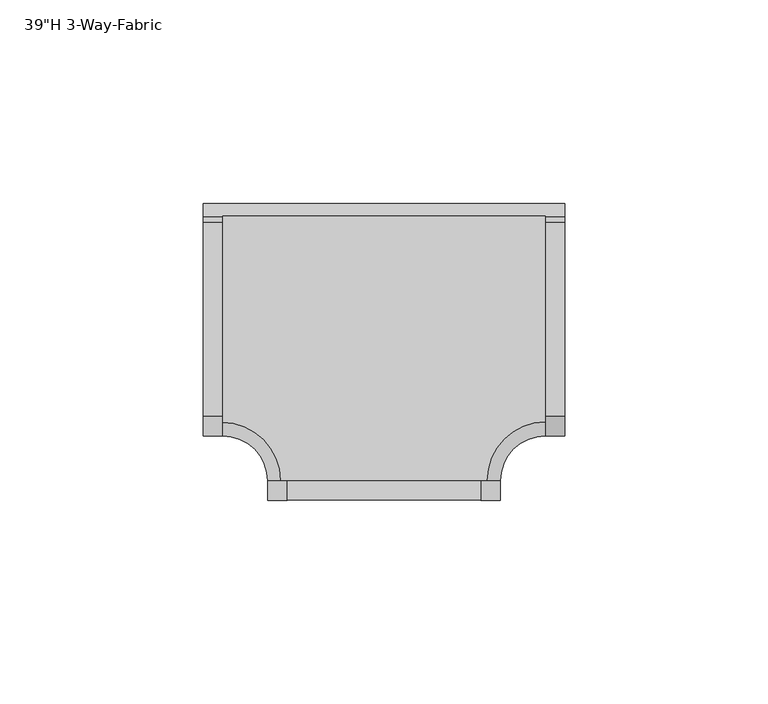
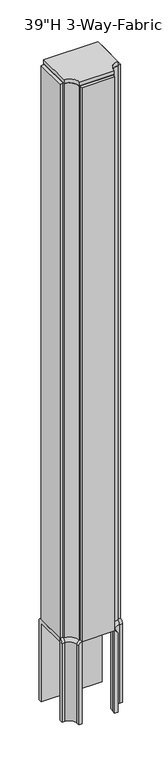
"""IFC4 building model written with IfcOpenShell, lengths in millimetres: furniture geometry."""

from ifc_helpers import new_model, si_unit, point, frame, frame_2d, origin, place, context, project, spatial, polyline, circle_curve, ellipse_curve, trimmed, segment, composite_curve, outline, extrude, source, transform, mapped, element, save
from ifc_brep_helpers import plane_surface, cylinder_surface, revolved_surface, advanced_brep


def furniture_effd0aac(model_context):
    return source(origin(), model_context, "Body", "SolidModel", [
        advanced_brep(
        [(-22.2243638, -20.4097896, 130.9967468), (-22.2243638, -20.4097896, 9.525), (-17.461863, -20.4097896, 9.525), (-17.461863, -20.4097896, 136.5249768), (-22.2243638, -15.6473865, 130.9967468), (-22.2243638, -15.6473865, 9.525), (-33.3369607, -4.5347896, 9.525), (-38.1, -4.5347896, 9.525), (-38.1, 0.2277111, 9.525), (-33.3369607, 0.2277111, 9.525), (-17.461863, -15.6473865, 9.525), (-17.461863, -15.6473865, 136.5249768), (-33.3369607, -4.5347896, 130.9967468), (-33.3369607, 0.2277111, 136.5249768), (-38.1, -4.5347896, 130.9967468), (-38.1, 0.2277111, 136.5249768)],
        [
            (0, 1),
            (1, 2),
            (2, 3),
            (3, 0, circle_curve(frame((-16.6345756, -20.4097896, 130.9967468), z_axis=(0.0, -1.0, 0.0), x_axis=(-1.0, 0.0, 0.0)), 5.5897882)),
            (0, 4),
            (4, 5),
            (5, 1),
            (5, 6, circle_curve(frame((-33.3369607, -15.6473865, 9.525), z_axis=(0.0, 0.0, 1.0), x_axis=(1.0, 0.0, 0.0)), 11.1125969)),
            (6, 7),
            (7, 8),
            (8, 9),
            (9, 10, circle_curve(frame((-33.3369607, -15.6473865, 9.525), z_axis=(0.0, 0.0, -1.0), x_axis=(1.0, 0.0, 0.0)), 15.8750977)),
            (10, 2),
            (10, 11),
            (11, 3),
            (11, 4, circle_curve(frame((-16.6345756, -15.6473865, 130.9967468), z_axis=(0.0, -1.0, 0.0), x_axis=(-1.0, 0.0, 0.0)), 5.5897882)),
            (4, 12, circle_curve(frame((-33.3369607, -15.6473865, 130.9967468), z_axis=(0.0, 0.0, 1.0), x_axis=(1.0, 0.0, 0.0)), 11.1125969)),
            (12, 6),
            (13, 11, circle_curve(frame((-33.3369607, -15.6473865, 136.5249768), z_axis=(0.0, 0.0, -1.0), x_axis=(1.0, 0.0, 0.0)), 15.8750977)),
            (9, 13),
            (13, 12, circle_curve(frame((-33.3369607, 1.0549985, 130.9967468), z_axis=(1.0, 0.0, 0.0), x_axis=(0.0, -1.0, 0.0)), 5.5897882)),
            (14, 15, circle_curve(frame((-38.1, 1.0549985, 130.9967468), z_axis=(-1.0, 0.0, 0.0), x_axis=(0.0, -1.0, 0.0)), 5.5897882)),
            (15, 8),
            (7, 14),
            (12, 14),
            (15, 13),
        ],
        [
            plane_surface(frame((-19.0499981, -20.4097896, 9.525), z_axis=(0.0, -1.0, 0.0), x_axis=(0.0, 0.0, 1.0))),
            plane_surface(frame((-22.2243638, -20.4097896, 130.9967468), z_axis=(-1.0, 0.0, 0.0), x_axis=(0.0, 1.0, 0.0))),
            plane_surface(frame((-22.2243638, -20.4097896, 9.525), z_axis=(0.0, 0.0, -1.0), x_axis=(0.0, 1.0, 0.0))),
            plane_surface(frame((-17.461863, -20.4097896, 9.525), z_axis=(1.0, 0.0, 0.0), x_axis=(0.0, 1.0, 0.0))),
            cylinder_surface(frame((-16.6345756, -20.4097896, 130.9967468), z_axis=(0.0, -1.0, 0.0), x_axis=(-1.0, 0.0, 0.0)), 5.5897882),
            revolved_surface(polyline([(-22.2243638, -15.6473865, 130.9967468), (-22.2243638, -15.6473865, 9.525)]), (-33.3369607, -15.6473865, 9.525), (0.0, 0.0, 1.0)),
            cylinder_surface(frame((-33.3369607, -15.6473865, 9.525), z_axis=(0.0, 0.0, 1.0), x_axis=(1.0, 0.0, 0.0)), 15.8750977),
            revolved_surface(trimmed(ellipse_curve(frame((-16.6345756, -15.6473865, 130.9967468), z_axis=(0.0, -1.0, 0.0), x_axis=(-1.0, 0.0, 0.0)), 5.5897882, 5.5897882), [point((-17.461863, -15.6473865, 136.5249768))], [point((-22.2243638, -15.6473865, 130.9967468))], True, "CARTESIAN"), (-33.3369607, -15.6473865, 9.525), (0.0, 0.0, 1.0)),
            plane_surface(frame((-38.1, -1.360424, 9.525), z_axis=(-1.0, 0.0, 0.0), x_axis=(0.0, 0.0, 1.0))),
            plane_surface(frame((-33.3369607, -4.5347896, 130.9967468), z_axis=(0.0, -1.0, 0.0), x_axis=(-1.0, 0.0, 0.0))),
            plane_surface(frame((-33.3369607, 0.2277111, 9.525), z_axis=(0.0, 1.0, 0.0), x_axis=(-1.0, 0.0, 0.0))),
            cylinder_surface(frame((-33.3369607, 1.0549985, 130.9967468), z_axis=(1.0, 0.0, 0.0), x_axis=(0.0, -1.0, 0.0)), 5.5897882),
        ],
        [
            (0, [[1, 2, 3, 4]]),
            (1, [[-1, 5, 6, 7]]),
            (2, [[-2, -7, 8, 9, 10, 11, 12, 13]]),
            (3, [[-3, -13, 14, 15]]),
            (4, [[-4, -15, 16, -5]]),
            (5, [[-8, -6, 17, 18]]),
            (6, [[19, -14, -12, 20]]),
            (7, [[-17, -16, -19, 21]]),
            (8, [[22, 23, -10, 24]]),
            (9, [[-18, 25, -24, -9]]),
            (10, [[-20, -11, -23, 26]]),
            (11, [[-21, -26, -22, -25]]),
        ],
    ),
        advanced_brep(
        [(34.9243675, -20.4097896, 130.9967468), (30.1617117, -20.4097896, 136.525), (30.1617117, -20.4097896, 9.525), (34.9243675, -20.4097896, 9.525), (34.9243675, -15.6473865, 130.9967468), (30.1617117, -15.6473865, 136.525), (30.1617117, -15.6473865, 9.525), (46.0369644, 0.2278662, 9.525), (50.8000038, 0.2278662, 9.525), (50.8000038, -4.5347896, 9.525), (46.0369644, -4.5347896, 9.525), (34.9243675, -15.6473865, 9.525), (46.0369644, 0.2278662, 136.525), (46.0369644, -4.5347896, 130.9967468), (50.8000038, -4.5347896, 130.9967468), (50.8000038, 0.2278662, 136.525)],
        [
            (0, 1, circle_curve(frame((29.3345794, -20.4097896, 130.9967468), z_axis=(0.0, -1.0, 0.0), x_axis=(-1.0, 0.0, 0.0)), 5.5897882)),
            (1, 2),
            (2, 3),
            (3, 0),
            (0, 4),
            (4, 5, circle_curve(frame((29.3345794, -15.6473865, 130.9967468), z_axis=(0.0, -1.0, 0.0), x_axis=(-1.0, 0.0, 0.0)), 5.5897882)),
            (5, 1),
            (5, 6),
            (6, 2),
            (6, 7, circle_curve(frame((46.0369644, -15.6473865, 9.525), z_axis=(0.0, 0.0, -1.0), x_axis=(-1.0, 0.0, 0.0)), 15.8752527)),
            (7, 8),
            (8, 9),
            (9, 10),
            (10, 11, circle_curve(frame((46.0369644, -15.6473865, 9.525), z_axis=(0.0, 0.0, 1.0), x_axis=(-1.0, 0.0, 0.0)), 11.1125969)),
            (11, 3),
            (11, 4),
            (12, 5, circle_curve(frame((46.0369644, -15.6473865, 136.525), z_axis=(0.0, 0.0, 1.0), x_axis=(-1.0, 0.0, 0.0)), 15.8752527)),
            (4, 13, circle_curve(frame((46.0369644, -15.6473865, 130.9967468), z_axis=(0.0, 0.0, -1.0), x_axis=(-1.0, 0.0, 0.0)), 11.1125969)),
            (13, 12, circle_curve(frame((46.0369644, 1.0549985, 130.9967468), z_axis=(-1.0, 0.0, 0.0), x_axis=(0.0, 1.0, 0.0)), 5.5897882)),
            (12, 7),
            (10, 13),
            (14, 9),
            (8, 15),
            (15, 14, circle_curve(frame((50.8000038, 1.0549985, 130.9967468), z_axis=(1.0, 0.0, 0.0), x_axis=(0.0, 1.0, 0.0)), 5.5897882)),
            (13, 14),
            (15, 12),
        ],
        [
            plane_surface(frame((31.7500019, -20.4097896, 9.525), z_axis=(0.0, -1.0, 0.0), x_axis=(0.0, 0.0, 1.0))),
            cylinder_surface(frame((29.3345794, -20.4097896, 130.9967468), z_axis=(0.0, -1.0, 0.0), x_axis=(-1.0, 0.0, 0.0)), 5.5897882),
            plane_surface(frame((30.1617117, -20.4097896, 136.525), z_axis=(-1.0, 0.0, 0.0), x_axis=(0.0, 1.0, 0.0))),
            plane_surface(frame((30.1617117, -20.4097896, 9.525), z_axis=(0.0, 0.0, -1.0), x_axis=(0.0, 1.0, 0.0))),
            plane_surface(frame((34.9243675, -20.4097896, 9.525), z_axis=(1.0, 0.0, 0.0), x_axis=(0.0, 1.0, 0.0))),
            revolved_surface(trimmed(ellipse_curve(frame((29.3345794, -15.6473865, 130.9967468), z_axis=(0.0, -1.0, 0.0), x_axis=(-1.0, 0.0, 0.0)), 5.5897882, 5.5897882), [point((34.9243675, -15.6473865, 130.9967468))], [point((30.1617117, -15.6473865, 136.525))], True, "CARTESIAN"), (46.0369644, -15.6473865, 9.525), (0.0, 0.0, -1.0)),
            cylinder_surface(frame((46.0369644, -15.6473865, 9.525), z_axis=(0.0, 0.0, -1.0), x_axis=(-1.0, 0.0, 0.0)), 15.8752527),
            revolved_surface(polyline([(34.9243675, -15.6473865, 9.525), (34.9243675, -15.6473865, 130.9967468)]), (46.0369644, -15.6473865, 9.525), (0.0, 0.0, -1.0)),
            plane_surface(frame((50.8000038, -1.360424, 9.525), z_axis=(1.0, 0.0, 0.0), x_axis=(0.0, 0.0, 1.0))),
            cylinder_surface(frame((46.0369644, 1.0549985, 130.9967468), z_axis=(-1.0, 0.0, 0.0), x_axis=(0.0, 1.0, 0.0)), 5.5897882),
            plane_surface(frame((46.0369644, 0.2278662, 136.525), z_axis=(0.0, 1.0, 0.0), x_axis=(1.0, 0.0, 0.0))),
            plane_surface(frame((46.0369644, -4.5347896, 9.525), z_axis=(0.0, -1.0, 0.0), x_axis=(1.0, 0.0, 0.0))),
        ],
        [
            (0, [[1, 2, 3, 4]]),
            (1, [[-1, 5, 6, 7]]),
            (2, [[-2, -7, 8, 9]]),
            (3, [[-3, -9, 10, 11, 12, 13, 14, 15]]),
            (4, [[-4, -15, 16, -5]]),
            (5, [[17, -6, 18, 19]]),
            (6, [[-10, -8, -17, 20]]),
            (7, [[-18, -16, -14, 21]]),
            (8, [[22, -12, 23, 24]]),
            (9, [[-19, 25, -24, 26]]),
            (10, [[-20, -26, -23, -11]]),
            (11, [[-21, -13, -22, -25]]),
        ],
    ),
        extrude(outline(composite_curve([segment(polyline([(52.6152104, 133.3493657), (52.6152104, 9.525), (47.8527088, 9.525), (47.8527088, 130.9967468), (0.2277111, 130.9967468), (0.2277111, 136.525), (49.439576, 136.525)]), True, "CONTINUOUS"), segment(trimmed(circle_curve(frame_2d((49.439576, 133.3493657)), 3.1756343), [point((49.439576, 136.525))], [point((52.6152104, 133.3493657))], False, "CARTESIAN"), True, "CONTINUOUS")], self_intersect=False)), frame((-38.1, 0.0, 0.0), z_axis=(1.0, 0.0, 0.0), x_axis=(0.0, 1.0, 0.0)), (0.0, 0.0, 1.0), 88.9000038),
        extrude(outline(composite_curve([segment(polyline([(46.0375019, 49.439576), (46.0375019, -1.2685907)]), True, "CONTINUOUS"), segment(trimmed(circle_curve(frame_2d((46.0375019, -15.6472896)), 14.3786989), [point((46.0375019, -1.2685907))], [point((31.658803, -15.6472896))], True, "CARTESIAN"), True, "CONTINUOUS"), segment(polyline([(31.658803, -15.6472896), (-19.0499981, -15.6472896)]), True, "CONTINUOUS"), segment(trimmed(circle_curve(frame_2d((-33.3374981, -15.6472896)), 14.2875), [point((-19.0499981, -15.6472896))], [point((-33.3374981, -1.3597896))], True, "CARTESIAN"), True, "CONTINUOUS"), segment(polyline([(-33.3374981, -1.3597896), (-33.3374981, 49.439576), (46.0375019, 49.439576)]), True, "CONTINUOUS")], self_intersect=False)), frame((0.0, 0.0, 136.525), z_axis=(0.0, 0.0, 1.0), x_axis=(1.0, 0.0, 0.0)), (0.0, 0.0, 1.0), 857.2499758),
        extrude(outline(composite_curve([segment(polyline([(-33.3374981, 49.439576), (46.0375019, 49.439576), (46.0375019, -1.2713)]), True, "CONTINUOUS"), segment(trimmed(circle_curve(frame_2d((46.0375019, -15.6472896)), 14.3759897), [point((46.0375019, -1.2713))], [point((31.6615122, -15.6472896))], True, "CARTESIAN"), True, "CONTINUOUS"), segment(polyline([(31.6615122, -15.6472896), (-19.052707, -15.6472896)]), True, "CONTINUOUS"), segment(trimmed(circle_curve(frame_2d((-33.3374981, -15.6472896)), 14.2847911), [point((-19.052707, -15.6472896))], [point((-33.3374981, -1.3624986))], True, "CARTESIAN"), True, "CONTINUOUS"), segment(polyline([(-33.3374981, -1.3624986), (-33.3374981, 49.439576)]), True, "CONTINUOUS")], self_intersect=False)), frame((0.0, 0.0, 993.7749758), z_axis=(0.0, 0.0, 1.0), x_axis=(1.0, 0.0, 0.0)), (0.0, 0.0, 1.0), 6.3500242),
        extrude(outline(polyline([(50.8000038, 47.8527088), (50.8000038, 0.2277111), (34.3685843, 0.2277111), (34.3685843, 47.8527088), (50.8000038, 47.8527088)])), frame((0.0, 0.0, 136.525), z_axis=(0.0, 0.0, 1.0), x_axis=(1.0, 0.0, 0.0)), (0.0, 0.0, 1.0), 857.2499758),
        extrude(outline(polyline([(-17.4624981, -4.5347896), (30.1625019, -4.5347896), (30.1625019, -20.4097896), (-17.4624981, -20.4097896), (-17.4624981, -4.5347896)])), frame((0.0, 0.0, 136.525), z_axis=(0.0, 0.0, 1.0), x_axis=(1.0, 0.0, 0.0)), (0.0, 0.0, 1.0), 857.2499758),
        extrude(outline(polyline([(-38.1, 47.8527088), (-33.3374981, 47.8527088), (-33.3374981, 0.2277111), (-38.1, 0.2277111), (-38.1, 47.8527088)])), frame((0.0, 0.0, 136.525), z_axis=(0.0, 0.0, 1.0), x_axis=(1.0, 0.0, 0.0)), (0.0, 0.0, 1.0), 857.2499758),
    ])


if __name__ == "__main__":
    model = new_model("IFC4")
    model_context = context("Model", 3, world=origin())
    ifc_project = project(units=[si_unit("LENGTHUNIT", "METRE", prefix="MILLI")], contexts=[model_context])
    site = spatial("IfcSite", under=ifc_project)
    building = spatial("IfcBuilding", under=site)
    placement = place(None, origin())
    furniture_shape = furniture_effd0aac(model_context)
    element("IfcFurniture", 1, ObjectType="39\"H 3-Way-Fabric", at=placement, inside=building, context=model_context, shape_type="MappedRepresentation", body=[
        mapped(furniture_shape, transform((0.0, 0.0, 0.0), x_axis=(1.0, 0.0, 0.0), y_axis=(0.0, 1.0, 0.0), z_axis=(0.0, 0.0, 1.0))),
    ])
    save(model, "model.ifc")
